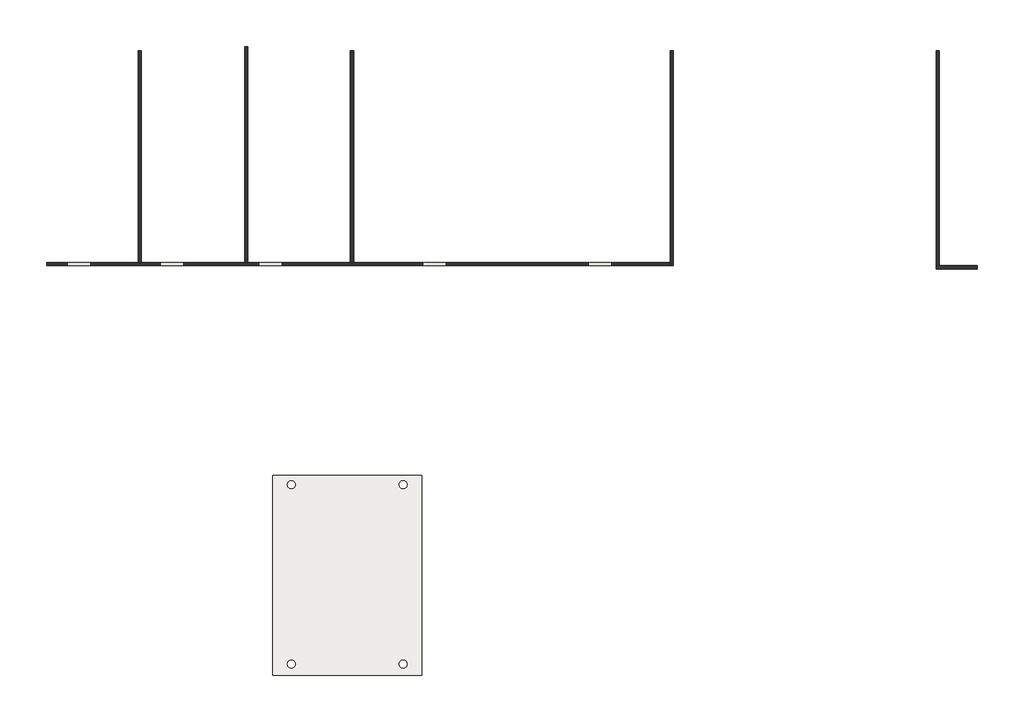
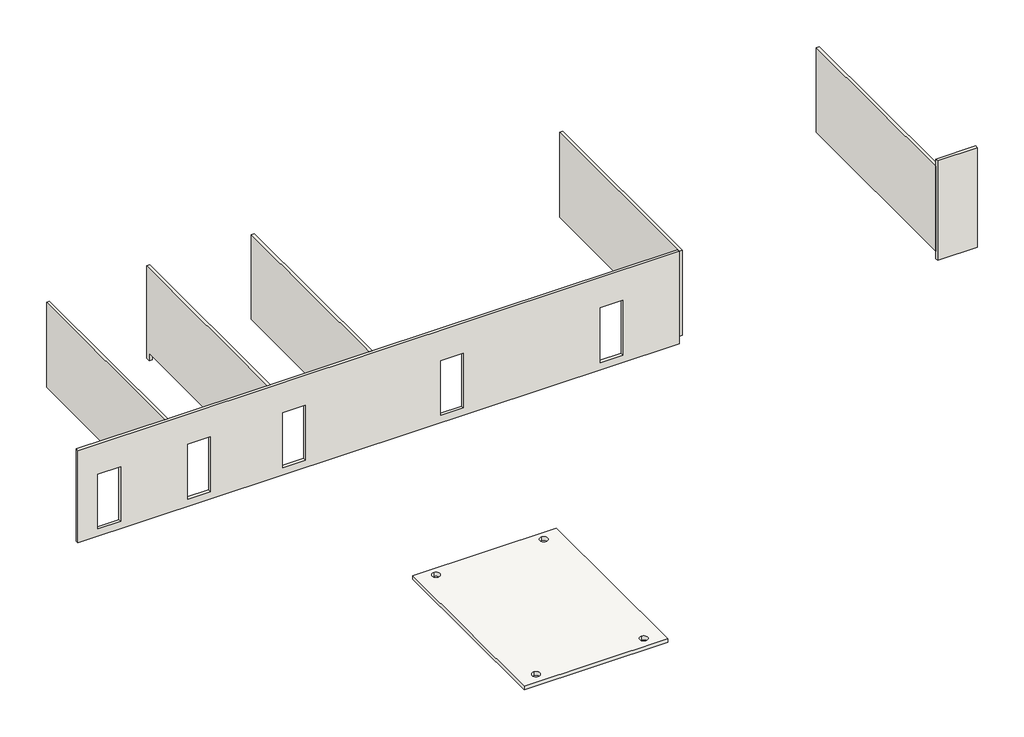
# One storey: 7 walls, 1 slab.
"""IFC4 building model written with IfcOpenShell, lengths in millimetres."""

import ifcopenshell
import ifcopenshell.guid

model = None  # the IFC model being written
_history = None  # IfcOwnerHistory: only IFC2X3 demands one
_inside = {}  # id of a spatial element -> (the spatial element, [elements in it])
_under = {}  # id of a project, library or spatial element -> (it, [spatial elements below it])
_declared = {}  # id of a project -> (the project, [libraries it declares])
_typed = {}  # id of a type object -> (the type object, [elements of that type])
_made_of = {}  # id of a material, layer set ... -> (it, [elements and type objects made of it])


def new_model(schema):
    """Start an empty IFC model of exactly this schema.

    Asked for "IFC4X3", IfcOpenShell would pick the latest addendum, in which some entities
    have other attributes; the version numbers below select the first issue.
    IFC2X3 requires an IfcOwnerHistory on every rooted entity: one is made here for all.
    """
    global model, _history
    if schema == "IFC4X3":
        model = ifcopenshell.file(schema_version=(4, 3, 0, 0))
    else:
        model = ifcopenshell.file(schema=schema)
    _inside.clear()
    _under.clear()
    _declared.clear()
    _typed.clear()
    _made_of.clear()
    _history = None
    if model.schema == "IFC2X3":
        org = make("IfcOrganization", Name="unknown")
        user = make(
            "IfcPersonAndOrganization",
            ThePerson=make("IfcPerson", FamilyName="unknown"),
            TheOrganization=org,
        )
        app = make(
            "IfcApplication",
            ApplicationDeveloper=org,
            Version="unknown",
            ApplicationFullName="unknown",
            ApplicationIdentifier="unknown",
        )
        _history = make(
            "IfcOwnerHistory",
            OwningUser=user,
            OwningApplication=app,
            ChangeAction="ADDED",
            CreationDate=0,
        )
    return model


def make(cls, **values):
    """One entity of the class cls with the attributes given. An attribute that is None is left unset."""
    return model.create_entity(
        cls, **{name: value for name, value in values.items() if value is not None}
    )


def rooted(cls, **values):
    """An entity with a GlobalId (a new one), such as an element, a storey or a relation."""
    return make(cls, GlobalId=ifcopenshell.guid.new(), OwnerHistory=_history, **values)


def si_unit(unit_type, name, prefix=None):
    """IfcSIUnit, for example si_unit("LENGTHUNIT", "METRE", prefix="MILLI")."""
    return make("IfcSIUnit", UnitType=unit_type, Prefix=prefix, Name=name)


def assignment(units):
    """IfcUnitAssignment: the units of a project."""
    return None if units is None else make("IfcUnitAssignment", Units=units)


def point(xyz):
    """IfcCartesianPoint."""
    return None if xyz is None else make("IfcCartesianPoint", Coordinates=xyz)


def direction(xyz):
    """IfcDirection."""
    return None if xyz is None else make("IfcDirection", DirectionRatios=xyz)


def frame(location, z_axis=None, x_axis=None):
    """IfcAxis2Placement3D, a coordinate frame: its origin and axes. An axis left out is left unset."""
    return make(
        "IfcAxis2Placement3D",
        Location=point(location),
        Axis=direction(z_axis),
        RefDirection=direction(x_axis),
    )


def frame_2d(location, x_axis=None):
    """IfcAxis2Placement2D, a coordinate frame in the plane: its origin and x axis."""
    return make(
        "IfcAxis2Placement2D", Location=point(location), RefDirection=direction(x_axis)
    )


def origin():
    """The frame at (0, 0, 0) with its axes left unset."""
    return frame((0.0, 0.0, 0.0))


def place(relative_to, where):
    """IfcLocalPlacement: puts the frame where relative to a parent placement (None: the world)."""
    return make(
        "IfcLocalPlacement", PlacementRelTo=relative_to, RelativePlacement=where
    )


def context(
    kind, dimensions, precision=None, world=None, true_north=None, identifier=None
):
    """IfcGeometricRepresentationContext, for example the 3D "Model" context."""
    return make(
        "IfcGeometricRepresentationContext",
        ContextIdentifier=identifier,
        ContextType=kind,
        CoordinateSpaceDimension=dimensions,
        Precision=precision,
        WorldCoordinateSystem=world,
        TrueNorth=true_north,
    )


def project(units=None, contexts=None):
    """IfcProject with its units and contexts."""
    return rooted(
        "IfcProject",
        Name="project",
        RepresentationContexts=contexts,
        UnitsInContext=assignment(units),
    )


def spatial(cls, under=None, at=None, **own):
    """A site, building, storey or space (cls), placed at a placement, below another one or the project."""
    s = rooted(cls, ObjectPlacement=at, **own)
    if under is not None:
        _under.setdefault(under.id(), (under, []))[1].append(s)
    return s


def polyline(points):
    """IfcPolyline through the points."""
    return make("IfcPolyline", Points=[point(p) for p in points])


def circle_curve(where, radius):
    """IfcCircle in the frame where."""
    return make("IfcCircle", Position=where, Radius=radius)


def trimmed(basis, trim1, trim2, sense, master):
    """IfcTrimmedCurve: the piece of a basis curve between two trims."""
    return make(
        "IfcTrimmedCurve",
        BasisCurve=basis,
        Trim1=trim1,
        Trim2=trim2,
        SenseAgreement=sense,
        MasterRepresentation=master,
    )


def segment(curve, same_sense, transition):
    """IfcCompositeCurveSegment."""
    return make(
        "IfcCompositeCurveSegment",
        Transition=transition,
        SameSense=same_sense,
        ParentCurve=curve,
    )


def composite_curve(segments, self_intersect=None):
    """IfcCompositeCurve: segments joined end to end."""
    return make("IfcCompositeCurve", Segments=segments, SelfIntersect=self_intersect)


def outline(outer, holes=None, kind="AREA"):
    """IfcArbitraryClosedProfileDef: a profile drawn as a closed curve; with holes, ...WithVoids."""
    if holes is None:
        return make("IfcArbitraryClosedProfileDef", ProfileType=kind, OuterCurve=outer)
    return make(
        "IfcArbitraryProfileDefWithVoids",
        ProfileType=kind,
        OuterCurve=outer,
        InnerCurves=holes,
    )


def extrude(swept, where, along, depth):
    """IfcExtrudedAreaSolid: the profile swept, set in the frame where, extruded along a direction by depth."""
    return make(
        "IfcExtrudedAreaSolid",
        SweptArea=swept,
        Position=where,
        ExtrudedDirection=direction(along),
        Depth=depth,
    )


def faces_of(points, faces, orient=None, outer=None):
    """IfcFace entities. A face is a list of loops; a loop is a list of indices into points, from 0.

    orient and outer hold one flag for each loop. By default every Orientation is true, the
    first loop of a face is its IfcFaceOuterBound and the others are IfcFaceBound.
    """
    made = []
    for i, loops in enumerate(faces):
        bounds = []
        for j, loop in enumerate(loops):
            is_outer = j == 0 if outer is None else outer[i][j]
            bounds.append(
                make(
                    "IfcFaceOuterBound" if is_outer else "IfcFaceBound",
                    Bound=make("IfcPolyLoop", Polygon=[points[k] for k in loop]),
                    Orientation=True if orient is None else orient[i][j],
                )
            )
        made.append(make("IfcFace", Bounds=bounds))
    return made


def faceted_brep(points, faces, orient=None, outer=None, voids=None):
    """IfcFacetedBrep: a solid bounded by flat faces; with voids (closed shells), ...WithVoids."""
    shared = [point(p) for p in points]
    hull = make("IfcClosedShell", CfsFaces=faces_of(shared, faces, orient, outer))
    if voids is None:
        return make("IfcFacetedBrep", Outer=hull)
    return make(
        "IfcFacetedBrepWithVoids",
        Outer=hull,
        Voids=[
            make(cls, CfsFaces=faces_of(shared, fs, o, b)) for cls, fs, o, b in voids
        ],
    )


def shape(context_of_items, identifier, shape_type, items):
    """IfcShapeRepresentation: the items that make up one representation, for example the "Body"."""
    return make(
        "IfcShapeRepresentation",
        ContextOfItems=context_of_items,
        RepresentationIdentifier=identifier,
        RepresentationType=shape_type,
        Items=items,
    )


def made_of(thing, what):
    """Note that an element or type object is made of a material, layer set ...; save() writes the relation."""
    if what is not None:
        _made_of.setdefault(what.id(), (what, []))[1].append(thing)
    return thing


def element(
    cls,
    number,
    at=None,
    inside=None,
    cuts=None,
    type_object=None,
    material=None,
    context=None,
    identifier="Body",
    shape_type=None,
    held_by="IfcProductDefinitionShape",
    body=None,
    shapes=None,
    **own,
):
    """One element of the class cls, such as IfcWall. Its Tag is "e" and its number.

    at: its placement. inside: the storey or other place that contains it. cuts: it is an
    opening in that element (IfcRelVoidsElement). A single representation is given by context,
    identifier, shape_type and body (its items); several are given by shapes. held_by: the class
    of the entity that holds the representations. save() writes the other relations.
    """
    e = rooted(cls, Tag="e%d" % number, ObjectPlacement=at, **own)
    if body is not None:
        shapes = [shape(context, identifier, shape_type, body)]
    if shapes is not None:
        e.Representation = make(held_by, Representations=shapes)
    if inside is not None:
        _inside.setdefault(inside.id(), (inside, []))[1].append(e)
    if cuts is not None:
        rooted(
            "IfcRelVoidsElement", RelatingBuildingElement=cuts, RelatedOpeningElement=e
        )
    if type_object is not None:
        _typed.setdefault(type_object.id(), (type_object, []))[1].append(e)
    return made_of(e, material)


def aggregate(whole, parts):
    """IfcRelAggregates: a whole, such as a stair, and the parts it consists of."""
    return rooted("IfcRelAggregates", RelatingObject=whole, RelatedObjects=parts)


def save(model, path):
    """Write the relations noted so far, then the file.

    IfcRelAggregates (storeys below a building ...), IfcRelContainedInSpatialStructure (elements
    in a storey), IfcRelDefinesByType, IfcRelAssociatesMaterial and IfcRelDeclares: one each for
    every whole, place, type object, material and project.
    """
    for whole, parts in _under.values():
        aggregate(whole, parts)
    for where, things in _inside.values():
        rooted(
            "IfcRelContainedInSpatialStructure",
            RelatedElements=things,
            RelatingStructure=where,
        )
    for kind, things in _typed.values():
        rooted("IfcRelDefinesByType", RelatedObjects=things, RelatingType=kind)
    for what, things in _made_of.values():
        rooted("IfcRelAssociatesMaterial", RelatedObjects=things, RelatingMaterial=what)
    for by, libraries in _declared.values():
        rooted("IfcRelDeclares", RelatingContext=by, RelatedDefinitions=libraries)
    model.write(path)


model = new_model("IFC4")

# Units and contexts
model_context = context("Model", 3, world=origin())
ifc_project = project(units=[si_unit("LENGTHUNIT", "METRE", prefix="MILLI")], contexts=[model_context])

# Site, building, storey
site = spatial("IfcSite", under=ifc_project)
building = spatial("IfcBuilding", under=site)
storey = spatial("IfcBuildingStorey", under=building, Elevation=3500.0)

# Slab
placement = place(None, origin())
element("IfcSlab", 1, at=placement, inside=storey, context=model_context, shape_type="SweptSolid", body=[
    extrude(outline(polyline([(-1960.9736687, -6077.0209), (-7560.9736687, -6077.0209), (-7560.9736687, 1443.5501623), (-1960.9736687, 1443.5501623), (-1960.9736687, -6077.0209)]), holes=[composite_curve([segment(trimmed(circle_curve(frame_2d((-6856.5545107, -5653.1920942)), 150.0), [point((-6856.5545107, -5503.1920942))], [point((-6856.5545107, -5803.1920942))], True, "CARTESIAN"), True, "CONTINUOUS"), segment(trimmed(circle_curve(frame_2d((-6856.5545107, -5653.1920942)), 150.0), [point((-6856.5545107, -5803.1920942))], [point((-6856.5545107, -5503.1920942))], True, "CARTESIAN"), True, "CONTINUOUS")], self_intersect=False), composite_curve([segment(trimmed(circle_curve(frame_2d((-2656.5545107, -5653.1920942)), 150.0), [point((-2656.5545107, -5503.1920942))], [point((-2656.5545107, -5803.1920942))], True, "CARTESIAN"), True, "CONTINUOUS"), segment(trimmed(circle_curve(frame_2d((-2656.5545107, -5653.1920942)), 150.0), [point((-2656.5545107, -5803.1920942))], [point((-2656.5545107, -5503.1920942))], True, "CARTESIAN"), True, "CONTINUOUS")], self_intersect=False), composite_curve([segment(trimmed(circle_curve(frame_2d((-2656.5545107, 1096.8079058)), 150.0), [point((-2656.5545107, 1246.8079058))], [point((-2656.5545107, 946.8079058))], True, "CARTESIAN"), True, "CONTINUOUS"), segment(trimmed(circle_curve(frame_2d((-2656.5545107, 1096.8079058)), 150.0), [point((-2656.5545107, 946.8079058))], [point((-2656.5545107, 1246.8079058))], True, "CARTESIAN"), True, "CONTINUOUS")], self_intersect=False), composite_curve([segment(trimmed(circle_curve(frame_2d((-6856.5545107, 1096.8079058)), 150.0), [point((-6856.5545107, 1246.8079058))], [point((-6856.5545107, 946.8079058))], True, "CARTESIAN"), True, "CONTINUOUS"), segment(trimmed(circle_curve(frame_2d((-6856.5545107, 1096.8079058)), 150.0), [point((-6856.5545107, 946.8079058))], [point((-6856.5545107, 1246.8079058))], True, "CARTESIAN"), True, "CONTINUOUS")], self_intersect=False)]), frame((0.0, 0.0, 3800.0), z_axis=(0.0, 0.0, 1.0), x_axis=(1.0, 0.0, 0.0)), (0.0, 0.0, 1.0), 150.0),
])

# Walls
element("IfcWall", 2, ObjectType="Lamelle 11.5", at=placement, inside=storey, context=model_context, shape_type="Brep", body=[
    faceted_brep([(7382.9653762, 9447.4616819, 3500.0), (-16060.9736687, 9447.4616819, 3500.0), (-16060.9736687, 9447.4616819, 7300.0), (-12617.0346238, 9447.4616819, 7300.0), (-12502.0346238, 9447.4616819, 7300.0), (-8614.5346238, 9447.4616819, 7300.0), (-8499.5346238, 9447.4616819, 7300.0), (-4634.5346238, 9447.4616819, 7300.0), (-4519.5346238, 9447.4616819, 7300.0), (7382.9653762, 9447.4616819, 7300.0), (5182.9653762, 9447.4616819, 3800.0), (5182.9653762, 9447.4616819, 6060.0), (4297.9653762, 9447.4616819, 6060.0), (4297.9653762, 9447.4616819, 3800.0), (-11782.0346238, 9447.4616819, 6060.0), (-11782.0346238, 9447.4616819, 3800.0), (-10897.0346238, 9447.4616819, 3800.0), (-10897.0346238, 9447.4616819, 6060.0), (-1922.0346238, 9447.4616819, 6060.0), (-1922.0346238, 9447.4616819, 3800.0), (-1037.0346238, 9447.4616819, 3800.0), (-1037.0346238, 9447.4616819, 6060.0), (-14396.5041463, 9447.4616819, 3800.0), (-14396.5041463, 9447.4616819, 6060.0), (-15281.5041463, 9447.4616819, 6060.0), (-15281.5041463, 9447.4616819, 3800.0), (-8076.8462664, 9447.4616819, 6060.0), (-8076.8462664, 9447.4616819, 3800.0), (-7191.8462664, 9447.4616819, 3800.0), (-7191.8462664, 9447.4616819, 6060.0), (-16060.9736687, 9332.4616819, 3500.0), (7382.9653762, 9332.4616819, 3500.0), (7382.9653762, 9332.4616819, 3800.0), (7382.9653762, 9332.4616819, 7300.0), (-16060.9736687, 9332.4616819, 7300.0), (5182.9653762, 9332.4616819, 6060.0), (5182.9653762, 9332.4616819, 3800.0), (4297.9653762, 9332.4616819, 3800.0), (4297.9653762, 9332.4616819, 6060.0), (-11782.0346238, 9332.4616819, 3800.0), (-11782.0346238, 9332.4616819, 6060.0), (-10897.0346238, 9332.4616819, 6060.0), (-10897.0346238, 9332.4616819, 3800.0), (-1922.0346238, 9332.4616819, 3800.0), (-1922.0346238, 9332.4616819, 6060.0), (-1037.0346238, 9332.4616819, 6060.0), (-1037.0346238, 9332.4616819, 3800.0), (-14396.5041463, 9332.4616819, 6060.0), (-14396.5041463, 9332.4616819, 3800.0), (-15281.5041463, 9332.4616819, 3800.0), (-15281.5041463, 9332.4616819, 6060.0), (-8076.8462664, 9332.4616819, 3800.0), (-8076.8462664, 9332.4616819, 6060.0), (-7191.8462664, 9332.4616819, 6060.0), (-7191.8462664, 9332.4616819, 3800.0)], [[[0, 1, 2, 3, 4, 5, 6, 7, 8, 9], [10, 11, 12, 13], [14, 15, 16, 17], [18, 19, 20, 21], [22, 23, 24, 25], [26, 27, 28, 29]], [[30, 31, 32, 33, 34], [35, 36, 37, 38], [39, 40, 41, 42], [43, 44, 45, 46], [47, 48, 49, 50], [51, 52, 53, 54]], [[1, 0, 31, 30]], [[2, 1, 30, 34]], [[9, 8, 7, 6, 5, 4, 3, 2, 34, 33]], [[0, 9, 33, 32, 31]], [[11, 10, 36, 35]], [[12, 11, 35, 38]], [[13, 12, 38, 37]], [[10, 13, 37, 36]], [[40, 39, 15, 14]], [[41, 40, 14, 17]], [[42, 41, 17, 16]], [[39, 42, 16, 15]], [[44, 43, 19, 18]], [[45, 44, 18, 21]], [[46, 45, 21, 20]], [[43, 46, 20, 19]], [[23, 22, 48, 47]], [[24, 23, 47, 50]], [[25, 24, 50, 49]], [[22, 25, 49, 48]], [[51, 27, 26, 52]], [[52, 26, 29, 53]], [[53, 29, 28, 54]], [[27, 51, 54, 28]]]),
])
element("IfcWall", 3, ObjectType="MW 11.5", at=placement, inside=storey, context=model_context, shape_type="SweptSolid", body=[
    extrude(outline(polyline([(17382.9653762, 9332.4616818), (17382.9653762, 17417.5205846), (17497.9653762, 17417.5205846), (17497.9653762, 9332.4616818), (17382.9653762, 9332.4616818)])), frame((0.0, 0.0, 3800.0), z_axis=(0.0, 0.0, 1.0), x_axis=(1.0, 0.0, 0.0)), (0.0, 0.0, 1.0), 3500.0),
])
element("IfcWall", 4, ObjectType="MW 11.5", at=placement, inside=storey, context=model_context, shape_type="SweptSolid", body=[
    extrude(outline(polyline([(-12617.0346238, 9447.4616819), (-12617.0346238, 17417.5205846), (-12502.0346238, 17417.5205846), (-12502.0346238, 9447.4616819), (-12617.0346238, 9447.4616819)])), frame((0.0, 0.0, 3800.0), z_axis=(0.0, 0.0, 1.0), x_axis=(1.0, 0.0, 0.0)), (0.0, 0.0, 1.0), 3500.0),
])
element("IfcWall", 5, ObjectType="MW 11.5", at=placement, inside=storey, context=model_context, shape_type="SweptSolid", body=[
    extrude(outline(polyline([(-4634.5346238, 9447.4616819), (-4634.5346238, 17417.5205846), (-4519.5346238, 17417.5205846), (-4519.5346238, 9447.4616819), (-4634.5346238, 9447.4616819)])), frame((0.0, 0.0, 3800.0), z_axis=(0.0, 0.0, 1.0), x_axis=(1.0, 0.0, 0.0)), (0.0, 0.0, 1.0), 3500.0),
])
element("IfcWall", 6, ObjectType="MW 11.5", at=placement, inside=storey, context=model_context, shape_type="Brep", body=[
    faceted_brep([(7382.9653762, 9332.4616819, 7300.0), (7382.9653762, 9447.4616819, 7300.0), (7382.9653762, 17417.5205846, 7300.0), (7382.9653762, 17417.5205846, 3800.0), (7382.9653762, 9332.4616819, 3800.0), (7497.9653762, 17417.5205846, 7300.0), (7497.9653762, 9332.4616819, 7300.0), (7497.9653762, 9332.4616819, 3800.0), (7497.9653762, 17417.5205846, 3800.0)], [[[0, 1, 2, 3, 4]], [[5, 6, 7, 8]], [[2, 1, 0, 6, 5]], [[2, 5, 8, 3]], [[6, 0, 4, 7]], [[4, 3, 8, 7]]]),
])
element("IfcWall", 7, ObjectType="MW 11.5", at=placement, inside=storey, context=model_context, shape_type="Brep", body=[
    faceted_brep([(17382.9653762, 9217.4616818, 3500.0), (18940.4653773, 9217.4616818, 3500.0), (18940.4653773, 9217.4616818, 7600.0), (17382.9653762, 9217.4616818, 7600.0), (17382.9653762, 9332.4616818, 3500.0), (17382.9653762, 9332.4616818, 3800.0), (17382.9653762, 9332.4616818, 7300.0), (17382.9653762, 9332.4616818, 7600.0), (18940.4653773, 9332.4616818, 7600.0), (18940.4653773, 9332.4616818, 3500.0)], [[[0, 1, 2, 3]], [[4, 5, 6, 7, 8, 9]], [[1, 0, 4, 9]], [[2, 1, 9, 8]], [[3, 2, 8, 7]], [[0, 3, 7, 6, 5, 4]]]),
])
element("IfcWall", 8, ObjectType="MW 11.5", at=placement, inside=storey, context=model_context, shape_type="SweptSolid", body=[
    extrude(outline(polyline([(17582.5205846, 7300.0), (17582.5205846, 3500.0), (17417.5205846, 3500.0), (17417.5205846, 3800.0), (9447.4616819, 3800.0), (9447.4616819, 7300.0), (17582.5205846, 7300.0)])), frame((-8614.5346238, 0.0, 0.0), z_axis=(1.0, 0.0, 0.0), x_axis=(0.0, 1.0, 0.0)), (0.0, 0.0, 1.0), 115.0),
])

save(model, "model.ifc")
